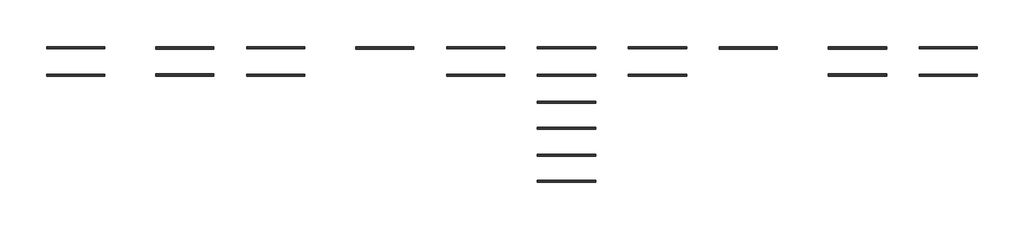
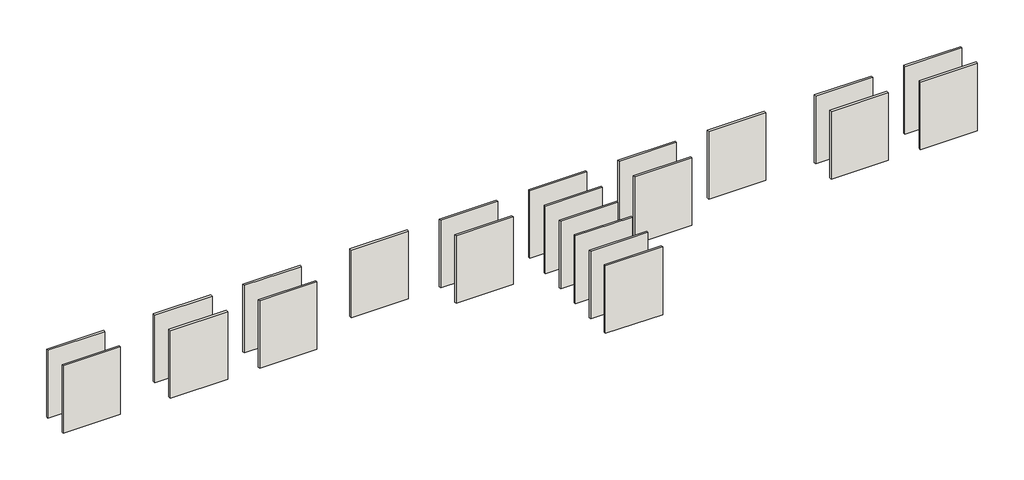
# One storey: 22 walls.
"""IFC4 building model written with IfcOpenShell, lengths in millimetres."""

import ifcopenshell
import ifcopenshell.guid

model = None  # the IFC model being written
_history = None  # IfcOwnerHistory: only IFC2X3 demands one
_inside = {}  # id of a spatial element -> (the spatial element, [elements in it])
_under = {}  # id of a project, library or spatial element -> (it, [spatial elements below it])
_declared = {}  # id of a project -> (the project, [libraries it declares])
_typed = {}  # id of a type object -> (the type object, [elements of that type])
_made_of = {}  # id of a material, layer set ... -> (it, [elements and type objects made of it])


def new_model(schema):
    """Start an empty IFC model of exactly this schema.

    Asked for "IFC4X3", IfcOpenShell would pick the latest addendum, in which some entities
    have other attributes; the version numbers below select the first issue.
    IFC2X3 requires an IfcOwnerHistory on every rooted entity: one is made here for all.
    """
    global model, _history
    if schema == "IFC4X3":
        model = ifcopenshell.file(schema_version=(4, 3, 0, 0))
    else:
        model = ifcopenshell.file(schema=schema)
    _inside.clear()
    _under.clear()
    _declared.clear()
    _typed.clear()
    _made_of.clear()
    _history = None
    if model.schema == "IFC2X3":
        org = make("IfcOrganization", Name="unknown")
        user = make(
            "IfcPersonAndOrganization",
            ThePerson=make("IfcPerson", FamilyName="unknown"),
            TheOrganization=org,
        )
        app = make(
            "IfcApplication",
            ApplicationDeveloper=org,
            Version="unknown",
            ApplicationFullName="unknown",
            ApplicationIdentifier="unknown",
        )
        _history = make(
            "IfcOwnerHistory",
            OwningUser=user,
            OwningApplication=app,
            ChangeAction="ADDED",
            CreationDate=0,
        )
    return model


def make(cls, **values):
    """One entity of the class cls with the attributes given. An attribute that is None is left unset."""
    return model.create_entity(
        cls, **{name: value for name, value in values.items() if value is not None}
    )


def rooted(cls, **values):
    """An entity with a GlobalId (a new one), such as an element, a storey or a relation."""
    return make(cls, GlobalId=ifcopenshell.guid.new(), OwnerHistory=_history, **values)


def si_unit(unit_type, name, prefix=None):
    """IfcSIUnit, for example si_unit("LENGTHUNIT", "METRE", prefix="MILLI")."""
    return make("IfcSIUnit", UnitType=unit_type, Prefix=prefix, Name=name)


def assignment(units):
    """IfcUnitAssignment: the units of a project."""
    return None if units is None else make("IfcUnitAssignment", Units=units)


def point(xyz):
    """IfcCartesianPoint."""
    return None if xyz is None else make("IfcCartesianPoint", Coordinates=xyz)


def direction(xyz):
    """IfcDirection."""
    return None if xyz is None else make("IfcDirection", DirectionRatios=xyz)


def frame(location, z_axis=None, x_axis=None):
    """IfcAxis2Placement3D, a coordinate frame: its origin and axes. An axis left out is left unset."""
    return make(
        "IfcAxis2Placement3D",
        Location=point(location),
        Axis=direction(z_axis),
        RefDirection=direction(x_axis),
    )


def origin():
    """The frame at (0, 0, 0) with its axes left unset."""
    return frame((0.0, 0.0, 0.0))


def origin_with_axes():
    """The frame at (0, 0, 0) with the z axis (0, 0, 1) and the x axis (1, 0, 0) written out."""
    return frame((0.0, 0.0, 0.0), z_axis=(0.0, 0.0, 1.0), x_axis=(1.0, 0.0, 0.0))


def place(relative_to, where):
    """IfcLocalPlacement: puts the frame where relative to a parent placement (None: the world)."""
    return make(
        "IfcLocalPlacement", PlacementRelTo=relative_to, RelativePlacement=where
    )


def context(
    kind, dimensions, precision=None, world=None, true_north=None, identifier=None
):
    """IfcGeometricRepresentationContext, for example the 3D "Model" context."""
    return make(
        "IfcGeometricRepresentationContext",
        ContextIdentifier=identifier,
        ContextType=kind,
        CoordinateSpaceDimension=dimensions,
        Precision=precision,
        WorldCoordinateSystem=world,
        TrueNorth=true_north,
    )


def project(units=None, contexts=None):
    """IfcProject with its units and contexts."""
    return rooted(
        "IfcProject",
        Name="project",
        RepresentationContexts=contexts,
        UnitsInContext=assignment(units),
    )


def spatial(cls, under=None, at=None, **own):
    """A site, building, storey or space (cls), placed at a placement, below another one or the project."""
    s = rooted(cls, ObjectPlacement=at, **own)
    if under is not None:
        _under.setdefault(under.id(), (under, []))[1].append(s)
    return s


def polyline(points):
    """IfcPolyline through the points."""
    return make("IfcPolyline", Points=[point(p) for p in points])


def outline(outer, holes=None, kind="AREA"):
    """IfcArbitraryClosedProfileDef: a profile drawn as a closed curve; with holes, ...WithVoids."""
    if holes is None:
        return make("IfcArbitraryClosedProfileDef", ProfileType=kind, OuterCurve=outer)
    return make(
        "IfcArbitraryProfileDefWithVoids",
        ProfileType=kind,
        OuterCurve=outer,
        InnerCurves=holes,
    )


def extrude(swept, where, along, depth):
    """IfcExtrudedAreaSolid: the profile swept, set in the frame where, extruded along a direction by depth."""
    return make(
        "IfcExtrudedAreaSolid",
        SweptArea=swept,
        Position=where,
        ExtrudedDirection=direction(along),
        Depth=depth,
    )


def shape(context_of_items, identifier, shape_type, items):
    """IfcShapeRepresentation: the items that make up one representation, for example the "Body"."""
    return make(
        "IfcShapeRepresentation",
        ContextOfItems=context_of_items,
        RepresentationIdentifier=identifier,
        RepresentationType=shape_type,
        Items=items,
    )


def made_of(thing, what):
    """Note that an element or type object is made of a material, layer set ...; save() writes the relation."""
    if what is not None:
        _made_of.setdefault(what.id(), (what, []))[1].append(thing)
    return thing


def element(
    cls,
    number,
    at=None,
    inside=None,
    cuts=None,
    type_object=None,
    material=None,
    context=None,
    identifier="Body",
    shape_type=None,
    held_by="IfcProductDefinitionShape",
    body=None,
    shapes=None,
    **own,
):
    """One element of the class cls, such as IfcWall. Its Tag is "e" and its number.

    at: its placement. inside: the storey or other place that contains it. cuts: it is an
    opening in that element (IfcRelVoidsElement). A single representation is given by context,
    identifier, shape_type and body (its items); several are given by shapes. held_by: the class
    of the entity that holds the representations. save() writes the other relations.
    """
    e = rooted(cls, Tag="e%d" % number, ObjectPlacement=at, **own)
    if body is not None:
        shapes = [shape(context, identifier, shape_type, body)]
    if shapes is not None:
        e.Representation = make(held_by, Representations=shapes)
    if inside is not None:
        _inside.setdefault(inside.id(), (inside, []))[1].append(e)
    if cuts is not None:
        rooted(
            "IfcRelVoidsElement", RelatingBuildingElement=cuts, RelatedOpeningElement=e
        )
    if type_object is not None:
        _typed.setdefault(type_object.id(), (type_object, []))[1].append(e)
    return made_of(e, material)


def aggregate(whole, parts):
    """IfcRelAggregates: a whole, such as a stair, and the parts it consists of."""
    return rooted("IfcRelAggregates", RelatingObject=whole, RelatedObjects=parts)


def save(model, path):
    """Write the relations noted so far, then the file.

    IfcRelAggregates (storeys below a building ...), IfcRelContainedInSpatialStructure (elements
    in a storey), IfcRelDefinesByType, IfcRelAssociatesMaterial and IfcRelDeclares: one each for
    every whole, place, type object, material and project.
    """
    for whole, parts in _under.values():
        aggregate(whole, parts)
    for where, things in _inside.values():
        rooted(
            "IfcRelContainedInSpatialStructure",
            RelatedElements=things,
            RelatingStructure=where,
        )
    for kind, things in _typed.values():
        rooted("IfcRelDefinesByType", RelatedObjects=things, RelatingType=kind)
    for what, things in _made_of.values():
        rooted("IfcRelAssociatesMaterial", RelatedObjects=things, RelatingMaterial=what)
    for by, libraries in _declared.values():
        rooted("IfcRelDeclares", RelatingContext=by, RelatedDefinitions=libraries)
    model.write(path)


model = new_model("IFC4")

# Units and contexts
model_context = context("Model", 3, world=origin())
ifc_project = project(units=[si_unit("LENGTHUNIT", "METRE", prefix="MILLI")], contexts=[model_context])

# Site, building, storey
site = spatial("IfcSite", under=ifc_project)
building = spatial("IfcBuilding", under=site)
storey = spatial("IfcBuildingStorey", under=building, Elevation=0.0)

# Walls
placement = place(None, origin())
element("IfcWall", 1, at=placement, inside=storey, context=model_context, shape_type="SweptSolid", body=[
    extrude(outline(polyline([(6392.5819475, 13113.8150755), (3192.5819475, 13113.8150755), (3192.5819475, 13215.8150755), (6392.5819475, 13215.8150755), (6392.5819475, 13113.8150755)])), origin_with_axes(), (0.0, 0.0, 1.0), 4000.0),
])
element("IfcWall", 2, at=placement, inside=storey, context=model_context, shape_type="SweptSolid", body=[
    extrude(outline(polyline([(6392.5819475, 11613.8150755), (3192.5819475, 11613.8150755), (3192.5819475, 11715.8150755), (6392.5819475, 11715.8150755), (6392.5819475, 11613.8150755)])), origin_with_axes(), (0.0, 0.0, 1.0), 4000.0),
])
element("IfcWall", 3, at=placement, inside=storey, context=model_context, shape_type="SweptSolid", body=[
    extrude(outline(polyline([(12392.5819475, 13091.8150755), (9192.5819475, 13091.8150755), (9192.5819475, 13237.8150755), (12392.5819475, 13237.8150755), (12392.5819475, 13091.8150755)])), origin_with_axes(), (0.0, 0.0, 1.0), 4000.0),
])
element("IfcWall", 4, at=placement, inside=storey, context=model_context, shape_type="SweptSolid", body=[
    extrude(outline(polyline([(17392.5819475, 11610.5650755), (14192.5819475, 11610.5650755), (14192.5819475, 11719.0650755), (17392.5819475, 11719.0650755), (17392.5819475, 11610.5650755)])), origin_with_axes(), (0.0, 0.0, 1.0), 4000.0),
])
element("IfcWall", 5, at=placement, inside=storey, context=model_context, shape_type="SweptSolid", body=[
    extrude(outline(polyline([(23392.5819475, 13098.8150755), (20192.5819475, 13098.8150755), (20192.5819475, 13230.8150755), (23392.5819475, 13230.8150755), (23392.5819475, 13098.8150755)])), origin_with_axes(), (0.0, 0.0, 1.0), 4000.0),
])
element("IfcWall", 6, at=placement, inside=storey, context=model_context, shape_type="SweptSolid", body=[
    extrude(outline(polyline([(28392.5819475, 13106.3150755), (25192.5819475, 13106.3150755), (25192.5819475, 13223.3150755), (28392.5819475, 13223.3150755), (28392.5819475, 13106.3150755)])), origin_with_axes(), (0.0, 0.0, 1.0), 4000.0),
])
element("IfcWall", 7, at=placement, inside=storey, context=model_context, shape_type="SweptSolid", body=[
    extrude(outline(polyline([(33392.5819475, 13114.3150755), (30192.5819475, 13114.3150755), (30192.5819475, 13215.3150755), (33392.5819475, 13215.3150755), (33392.5819475, 13114.3150755)])), origin_with_axes(), (0.0, 0.0, 1.0), 4000.0),
])
element("IfcWall", 8, at=placement, inside=storey, context=model_context, shape_type="SweptSolid", body=[
    extrude(outline(polyline([(38392.5819475, 13111.3150755), (35192.5819475, 13111.3150755), (35192.5819475, 13218.3150755), (38392.5819475, 13218.3150755), (38392.5819475, 13111.3150755)])), origin_with_axes(), (0.0, 0.0, 1.0), 4000.0),
])
element("IfcWall", 9, at=placement, inside=storey, context=model_context, shape_type="SweptSolid", body=[
    extrude(outline(polyline([(43392.5819475, 13094.3150755), (40192.5819475, 13094.3150755), (40192.5819475, 13235.3150755), (43392.5819475, 13235.3150755), (43392.5819475, 13094.3150755)])), origin_with_axes(), (0.0, 0.0, 1.0), 4000.0),
])
element("IfcWall", 10, at=placement, inside=storey, context=model_context, shape_type="SweptSolid", body=[
    extrude(outline(polyline([(49392.5819475, 13098.8150755), (46192.5819475, 13098.8150755), (46192.5819475, 13230.8150755), (49392.5819475, 13230.8150755), (49392.5819475, 13098.8150755)])), origin_with_axes(), (0.0, 0.0, 1.0), 4000.0),
])
element("IfcWall", 11, at=placement, inside=storey, context=model_context, shape_type="SweptSolid", body=[
    extrude(outline(polyline([(49392.5819475, 11594.8150755), (46192.5819475, 11594.8150755), (46192.5819475, 11734.8150755), (49392.5819475, 11734.8150755), (49392.5819475, 11594.8150755)])), origin_with_axes(), (0.0, 0.0, 1.0), 4000.0),
])
element("IfcWall", 12, at=placement, inside=storey, context=model_context, shape_type="SweptSolid", body=[
    extrude(outline(polyline([(54392.5819475, 13106.3150755), (51192.5819475, 13106.3150755), (51192.5819475, 13223.3150755), (54392.5819475, 13223.3150755), (54392.5819475, 13106.3150755)])), origin_with_axes(), (0.0, 0.0, 1.0), 4000.0),
])
element("IfcWall", 13, at=placement, inside=storey, context=model_context, shape_type="SweptSolid", body=[
    extrude(outline(polyline([(12392.5819475, 11591.8150755), (9192.5819475, 11591.8150755), (9192.5819475, 11737.8150755), (12392.5819475, 11737.8150755), (12392.5819475, 11591.8150755)])), origin_with_axes(), (0.0, 0.0, 1.0), 4000.0),
])
element("IfcWall", 14, at=placement, inside=storey, context=model_context, shape_type="SweptSolid", body=[
    extrude(outline(polyline([(17392.5819475, 13110.5650755), (14192.5819475, 13110.5650755), (14192.5819475, 13219.0650755), (17392.5819475, 13219.0650755), (17392.5819475, 13110.5650755)])), origin_with_axes(), (0.0, 0.0, 1.0), 4000.0),
])
element("IfcWall", 15, at=placement, inside=storey, context=model_context, shape_type="SweptSolid", body=[
    extrude(outline(polyline([(28392.5819475, 11606.3150755), (25192.5819475, 11606.3150755), (25192.5819475, 11723.3150755), (28392.5819475, 11723.3150755), (28392.5819475, 11606.3150755)])), origin_with_axes(), (0.0, 0.0, 1.0), 4000.0),
])
element("IfcWall", 16, at=placement, inside=storey, context=model_context, shape_type="SweptSolid", body=[
    extrude(outline(polyline([(33392.5819475, 8699.790638), (30192.5819475, 8699.790638), (30192.5819475, 8800.790638), (33392.5819475, 8800.790638), (33392.5819475, 8699.790638)])), origin_with_axes(), (0.0, 0.0, 1.0), 4000.0),
])
element("IfcWall", 17, at=placement, inside=storey, context=model_context, shape_type="SweptSolid", body=[
    extrude(outline(polyline([(38392.5819475, 11611.3150755), (35192.5819475, 11611.3150755), (35192.5819475, 11718.3150755), (38392.5819475, 11718.3150755), (38392.5819475, 11611.3150755)])), origin_with_axes(), (0.0, 0.0, 1.0), 4000.0),
])
element("IfcWall", 18, at=placement, inside=storey, context=model_context, shape_type="SweptSolid", body=[
    extrude(outline(polyline([(54392.5819475, 11606.3150755), (51192.5819475, 11606.3150755), (51192.5819475, 11723.3150755), (54392.5819475, 11723.3150755), (54392.5819475, 11606.3150755)])), origin_with_axes(), (0.0, 0.0, 1.0), 4000.0),
])
element("IfcWall", 19, at=placement, inside=storey, context=model_context, shape_type="SweptSolid", body=[
    extrude(outline(polyline([(33392.5819475, 11608.3150755), (30192.5819475, 11608.3150755), (30192.5819475, 11721.3150755), (33392.5819475, 11721.3150755), (33392.5819475, 11608.3150755)])), origin_with_axes(), (0.0, 0.0, 1.0), 4000.0),
])
element("IfcWall", 20, at=placement, inside=storey, context=model_context, shape_type="SweptSolid", body=[
    extrude(outline(polyline([(33392.5819475, 10129.3150755), (30192.5819475, 10129.3150755), (30192.5819475, 10236.3150755), (33392.5819475, 10236.3150755), (33392.5819475, 10129.3150755)])), origin_with_axes(), (0.0, 0.0, 1.0), 4000.0),
])
element("IfcWall", 21, at=placement, inside=storey, context=model_context, shape_type="SweptSolid", body=[
    extrude(outline(polyline([(33392.5819475, 7214.790638), (30192.5819475, 7214.790638), (30192.5819475, 7327.790638), (33392.5819475, 7327.790638), (33392.5819475, 7214.790638)])), origin_with_axes(), (0.0, 0.0, 1.0), 4000.0),
])
element("IfcWall", 22, at=placement, inside=storey, context=model_context, shape_type="SweptSolid", body=[
    extrude(outline(polyline([(33392.5819475, 5779.2662005), (30192.5819475, 5779.2662005), (30192.5819475, 5886.2662005), (33392.5819475, 5886.2662005), (33392.5819475, 5779.2662005)])), origin_with_axes(), (0.0, 0.0, 1.0), 4000.0),
])

save(model, "model.ifc")
